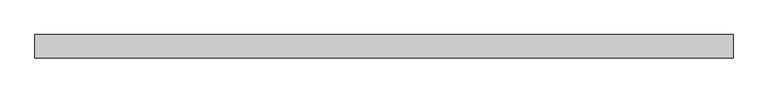
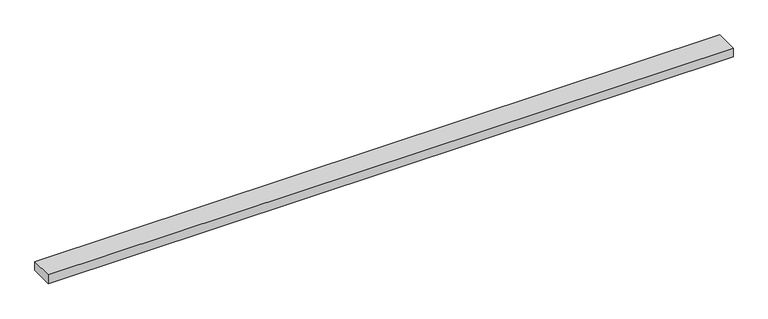
"""IFC4 building model written with IfcOpenShell, lengths in millimetres: beam geometry."""

import ifcopenshell
import ifcopenshell.guid

model = None  # the IFC model being written
_history = None  # IfcOwnerHistory: only IFC2X3 demands one
_inside = {}  # id of a spatial element -> (the spatial element, [elements in it])
_under = {}  # id of a project, library or spatial element -> (it, [spatial elements below it])
_declared = {}  # id of a project -> (the project, [libraries it declares])
_typed = {}  # id of a type object -> (the type object, [elements of that type])
_made_of = {}  # id of a material, layer set ... -> (it, [elements and type objects made of it])


def new_model(schema):
    """Start an empty IFC model of exactly this schema.

    Asked for "IFC4X3", IfcOpenShell would pick the latest addendum, in which some entities
    have other attributes; the version numbers below select the first issue.
    IFC2X3 requires an IfcOwnerHistory on every rooted entity: one is made here for all.
    """
    global model, _history
    if schema == "IFC4X3":
        model = ifcopenshell.file(schema_version=(4, 3, 0, 0))
    else:
        model = ifcopenshell.file(schema=schema)
    _inside.clear()
    _under.clear()
    _declared.clear()
    _typed.clear()
    _made_of.clear()
    _history = None
    if model.schema == "IFC2X3":
        org = make("IfcOrganization", Name="unknown")
        user = make(
            "IfcPersonAndOrganization",
            ThePerson=make("IfcPerson", FamilyName="unknown"),
            TheOrganization=org,
        )
        app = make(
            "IfcApplication",
            ApplicationDeveloper=org,
            Version="unknown",
            ApplicationFullName="unknown",
            ApplicationIdentifier="unknown",
        )
        _history = make(
            "IfcOwnerHistory",
            OwningUser=user,
            OwningApplication=app,
            ChangeAction="ADDED",
            CreationDate=0,
        )
    return model


def make(cls, **values):
    """One entity of the class cls with the attributes given. An attribute that is None is left unset."""
    return model.create_entity(
        cls, **{name: value for name, value in values.items() if value is not None}
    )


def rooted(cls, **values):
    """An entity with a GlobalId (a new one), such as an element, a storey or a relation."""
    return make(cls, GlobalId=ifcopenshell.guid.new(), OwnerHistory=_history, **values)


def si_unit(unit_type, name, prefix=None):
    """IfcSIUnit, for example si_unit("LENGTHUNIT", "METRE", prefix="MILLI")."""
    return make("IfcSIUnit", UnitType=unit_type, Prefix=prefix, Name=name)


def assignment(units):
    """IfcUnitAssignment: the units of a project."""
    return None if units is None else make("IfcUnitAssignment", Units=units)


def point(xyz):
    """IfcCartesianPoint."""
    return None if xyz is None else make("IfcCartesianPoint", Coordinates=xyz)


def direction(xyz):
    """IfcDirection."""
    return None if xyz is None else make("IfcDirection", DirectionRatios=xyz)


def frame(location, z_axis=None, x_axis=None):
    """IfcAxis2Placement3D, a coordinate frame: its origin and axes. An axis left out is left unset."""
    return make(
        "IfcAxis2Placement3D",
        Location=point(location),
        Axis=direction(z_axis),
        RefDirection=direction(x_axis),
    )


def origin():
    """The frame at (0, 0, 0) with its axes left unset."""
    return frame((0.0, 0.0, 0.0))


def place(relative_to, where):
    """IfcLocalPlacement: puts the frame where relative to a parent placement (None: the world)."""
    return make(
        "IfcLocalPlacement", PlacementRelTo=relative_to, RelativePlacement=where
    )


def context(
    kind, dimensions, precision=None, world=None, true_north=None, identifier=None
):
    """IfcGeometricRepresentationContext, for example the 3D "Model" context."""
    return make(
        "IfcGeometricRepresentationContext",
        ContextIdentifier=identifier,
        ContextType=kind,
        CoordinateSpaceDimension=dimensions,
        Precision=precision,
        WorldCoordinateSystem=world,
        TrueNorth=true_north,
    )


def project(units=None, contexts=None):
    """IfcProject with its units and contexts."""
    return rooted(
        "IfcProject",
        Name="project",
        RepresentationContexts=contexts,
        UnitsInContext=assignment(units),
    )


def spatial(cls, under=None, at=None, **own):
    """A site, building, storey or space (cls), placed at a placement, below another one or the project."""
    s = rooted(cls, ObjectPlacement=at, **own)
    if under is not None:
        _under.setdefault(under.id(), (under, []))[1].append(s)
    return s


def polyline(points):
    """IfcPolyline through the points."""
    return make("IfcPolyline", Points=[point(p) for p in points])


def outline(outer, holes=None, kind="AREA"):
    """IfcArbitraryClosedProfileDef: a profile drawn as a closed curve; with holes, ...WithVoids."""
    if holes is None:
        return make("IfcArbitraryClosedProfileDef", ProfileType=kind, OuterCurve=outer)
    return make(
        "IfcArbitraryProfileDefWithVoids",
        ProfileType=kind,
        OuterCurve=outer,
        InnerCurves=holes,
    )


def extrude(swept, where, along, depth):
    """IfcExtrudedAreaSolid: the profile swept, set in the frame where, extruded along a direction by depth."""
    return make(
        "IfcExtrudedAreaSolid",
        SweptArea=swept,
        Position=where,
        ExtrudedDirection=direction(along),
        Depth=depth,
    )


def shape(context_of_items, identifier, shape_type, items):
    """IfcShapeRepresentation: the items that make up one representation, for example the "Body"."""
    return make(
        "IfcShapeRepresentation",
        ContextOfItems=context_of_items,
        RepresentationIdentifier=identifier,
        RepresentationType=shape_type,
        Items=items,
    )


def source(mapping_origin, context_of_items, identifier, shape_type, items):
    """IfcRepresentationMap: a shape defined once, which mapped items show again and again."""
    return make(
        "IfcRepresentationMap",
        MappingOrigin=mapping_origin,
        MappedRepresentation=shape(context_of_items, identifier, shape_type, items),
    )


def transform(
    local_origin,
    x_axis=None,
    y_axis=None,
    z_axis=None,
    scale=None,
    scale2=None,
    scale3=None,
    uniform=True,
):
    """IfcCartesianTransformationOperator3D, or its non-uniform kind. x_axis, y_axis, z_axis: its Axis1, 2, 3."""
    if uniform:
        return make(
            "IfcCartesianTransformationOperator3D",
            Axis1=direction(x_axis),
            Axis2=direction(y_axis),
            LocalOrigin=point(local_origin),
            Scale=scale,
            Axis3=direction(z_axis),
        )
    return make(
        "IfcCartesianTransformationOperator3DnonUniform",
        Axis1=direction(x_axis),
        Axis2=direction(y_axis),
        LocalOrigin=point(local_origin),
        Scale=scale,
        Axis3=direction(z_axis),
        Scale2=scale2,
        Scale3=scale3,
    )


def mapped(mapping_source, mapping_target):
    """IfcMappedItem: shows the shape of a source again, moved by a transform."""
    return make(
        "IfcMappedItem", MappingSource=mapping_source, MappingTarget=mapping_target
    )


def made_of(thing, what):
    """Note that an element or type object is made of a material, layer set ...; save() writes the relation."""
    if what is not None:
        _made_of.setdefault(what.id(), (what, []))[1].append(thing)
    return thing


def element(
    cls,
    number,
    at=None,
    inside=None,
    cuts=None,
    type_object=None,
    material=None,
    context=None,
    identifier="Body",
    shape_type=None,
    held_by="IfcProductDefinitionShape",
    body=None,
    shapes=None,
    **own,
):
    """One element of the class cls, such as IfcWall. Its Tag is "e" and its number.

    at: its placement. inside: the storey or other place that contains it. cuts: it is an
    opening in that element (IfcRelVoidsElement). A single representation is given by context,
    identifier, shape_type and body (its items); several are given by shapes. held_by: the class
    of the entity that holds the representations. save() writes the other relations.
    """
    e = rooted(cls, Tag="e%d" % number, ObjectPlacement=at, **own)
    if body is not None:
        shapes = [shape(context, identifier, shape_type, body)]
    if shapes is not None:
        e.Representation = make(held_by, Representations=shapes)
    if inside is not None:
        _inside.setdefault(inside.id(), (inside, []))[1].append(e)
    if cuts is not None:
        rooted(
            "IfcRelVoidsElement", RelatingBuildingElement=cuts, RelatedOpeningElement=e
        )
    if type_object is not None:
        _typed.setdefault(type_object.id(), (type_object, []))[1].append(e)
    return made_of(e, material)


def aggregate(whole, parts):
    """IfcRelAggregates: a whole, such as a stair, and the parts it consists of."""
    return rooted("IfcRelAggregates", RelatingObject=whole, RelatedObjects=parts)


def save(model, path):
    """Write the relations noted so far, then the file.

    IfcRelAggregates (storeys below a building ...), IfcRelContainedInSpatialStructure (elements
    in a storey), IfcRelDefinesByType, IfcRelAssociatesMaterial and IfcRelDeclares: one each for
    every whole, place, type object, material and project.
    """
    for whole, parts in _under.values():
        aggregate(whole, parts)
    for where, things in _inside.values():
        rooted(
            "IfcRelContainedInSpatialStructure",
            RelatedElements=things,
            RelatingStructure=where,
        )
    for kind, things in _typed.values():
        rooted("IfcRelDefinesByType", RelatedObjects=things, RelatingType=kind)
    for what, things in _made_of.values():
        rooted("IfcRelAssociatesMaterial", RelatedObjects=things, RelatingMaterial=what)
    for by, libraries in _declared.values():
        rooted("IfcRelDeclares", RelatingContext=by, RelatedDefinitions=libraries)
    model.write(path)


def beam_d5ef172a(model_context):
    return source(origin(), model_context, "Body", "SweptSolid", [
        extrude(outline(polyline([(1060.6, -35.0), (-1025.6, -35.0), (-1025.6, 35.0), (1060.6, 35.0), (1060.6, -35.0)])), frame((0.0, 0.0, -14.0), z_axis=(0.0, 0.0, 1.0), x_axis=(1.0, 0.0, 0.0)), (0.0, 0.0, 1.0), 28.0),
    ])


if __name__ == "__main__":
    model = new_model("IFC4")
    model_context = context("Model", 3, world=origin())
    ifc_project = project(units=[si_unit("LENGTHUNIT", "METRE", prefix="MILLI")], contexts=[model_context])
    site = spatial("IfcSite", under=ifc_project)
    building = spatial("IfcBuilding", under=site)
    placement = place(None, origin())
    beam_shape = beam_d5ef172a(model_context)
    element("IfcBeam", 1, at=placement, inside=building, context=model_context, shape_type="MappedRepresentation", body=[
        mapped(beam_shape, transform((0.0, 0.0, 0.0), x_axis=(1.0, 0.0, 0.0), y_axis=(0.0, 1.0, 0.0), z_axis=(0.0, 0.0, 1.0))),
    ])
    save(model, "model.ifc")
